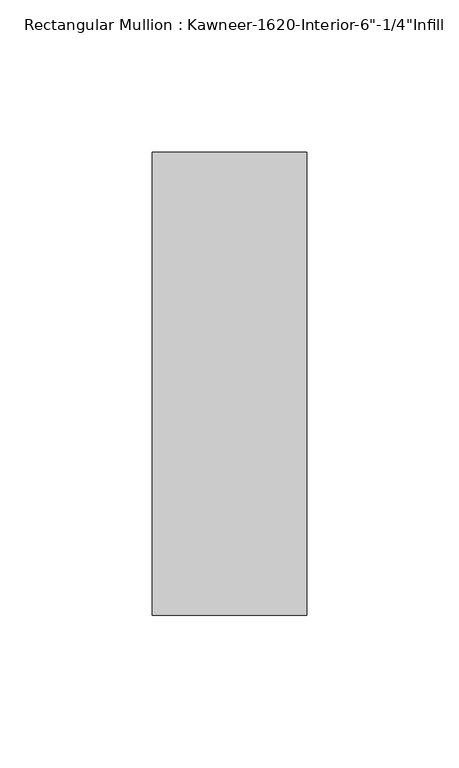
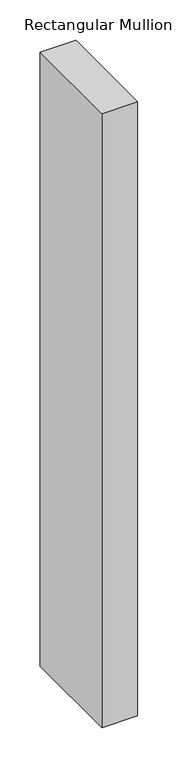
"""IFC4 building model written with IfcOpenShell, lengths in millimetres: member geometry."""

from ifc_helpers import new_model, si_unit, frame, origin, place, context, project, spatial, polyline, outline, extrude, source, transform, mapped, element, save


def member_b379a93f(model_context):
    return source(origin(), model_context, "Body", "SweptSolid", [
        extrude(outline(polyline([(25.4, -123.825), (-25.4, -123.825), (-25.4, 28.575), (25.4, 28.575), (25.4, -123.825)])), frame((0.0, 0.0, -926.2317631), z_axis=(0.0, 0.0, 1.0), x_axis=(1.0, 0.0, 0.0)), (0.0, 0.0, 1.0), 926.2317631),
    ])


if __name__ == "__main__":
    model = new_model("IFC4")
    model_context = context("Model", 3, world=origin())
    ifc_project = project(units=[si_unit("LENGTHUNIT", "METRE", prefix="MILLI")], contexts=[model_context])
    site = spatial("IfcSite", under=ifc_project)
    building = spatial("IfcBuilding", under=site)
    placement = place(None, origin())
    member_shape = member_b379a93f(model_context)
    element("IfcMember", 1, ObjectType="Rectangular Mullion : Kawneer-1620-Interior-6\"-1/4\"Infill", at=placement, inside=building, context=model_context, shape_type="MappedRepresentation", body=[
        mapped(member_shape, transform((0.0, 0.0, 0.0), x_axis=(1.0, 0.0, 0.0), y_axis=(0.0, 1.0, 0.0), z_axis=(0.0, 0.0, 1.0))),
    ])
    save(model, "model.ifc")
